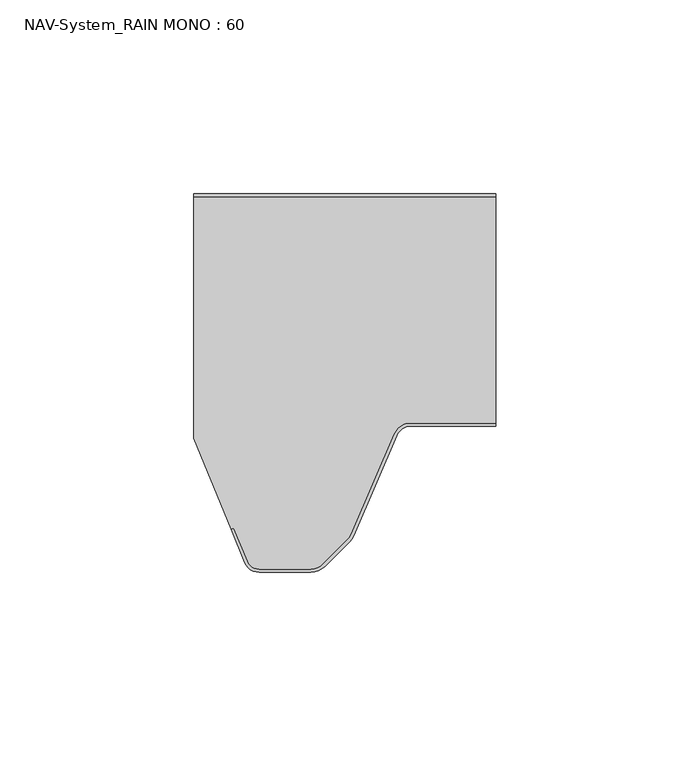
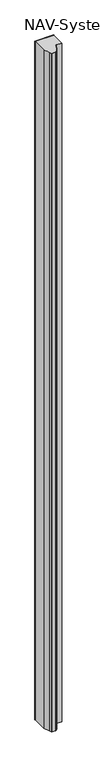
"""IFC4 building model written with IfcOpenShell, lengths in millimetres: plate geometry, NAV-System_RAIN MONO : 60."""

from ifc_helpers import new_model, si_unit, point, frame_2d, origin, origin_with_axes, place, context, project, spatial, polyline, circle_curve, trimmed, segment, composite_curve, outline, extrude, source, transform, mapped, element, save


def nav_system_rain_mono_60_86ab2381(model_context):
    return source(origin(), model_context, "Body", "SweptSolid", [
        extrude(outline(polyline([(-28.0, -0.8), (-28.0, 0.0), (50.0, 0.0), (50.0, -0.8), (-28.0, -0.8)])), origin_with_axes(), (0.0, 0.0, 1.0), 3000.0),
        extrude(outline(composite_curve([segment(trimmed(circle_curve(frame_2d((28.0709249, -64.0)), 4.8), [point((28.0709249, -59.2))], [point((23.6607271, -62.1052295))], True, "CARTESIAN"), True, "CONTINUOUS"), segment(polyline([(23.6607271, -62.1052295), (12.5754349, -87.9069459)]), True, "CONTINUOUS"), segment(trimmed(circle_curve(frame_2d((8.7165118, -86.2490217)), 4.2), [point((12.5754349, -87.9069459))], [point((11.6863603, -89.2188701))], False, "CARTESIAN"), True, "CONTINUOUS"), segment(polyline([(11.6863603, -89.2188701), (5.235382, -95.6698485)]), True, "CONTINUOUS"), segment(trimmed(circle_curve(frame_2d((2.2655335, -92.7)), 4.2), [point((5.235382, -95.6698485))], [point((2.2655335, -96.9))], False, "CARTESIAN"), True, "CONTINUOUS"), segment(polyline([(2.2655335, -96.9), (-11.1405186, -96.9)]), True, "CONTINUOUS"), segment(trimmed(circle_curve(frame_2d((-11.1405186, -93.7)), 3.2), [point((-11.1405186, -96.9))], [point((-14.1022482, -94.9116756))], False, "CARTESIAN"), True, "CONTINUOUS"), segment(polyline([(-14.1022482, -94.9116756), (-17.6292254, -86.2905951), (-18.3696578, -86.593514), (-28.0, -63.053822), (-28.0, -0.8), (50.0, -0.8), (50.0, -59.2), (28.0709249, -59.2)]), True, "CONTINUOUS")], self_intersect=False)), origin_with_axes(), (0.0, 0.0, 1.0), 3000.0),
        extrude(outline(composite_curve([segment(polyline([(-14.8430228, -95.2145945), (-18.37, -86.593514), (-17.6295676, -86.2905951), (-14.1025904, -94.9116756)]), True, "CONTINUOUS"), segment(trimmed(circle_curve(frame_2d((-11.1408608, -93.7)), 3.2), [point((-14.1025904, -94.9116756))], [point((-11.1408608, -96.9))], True, "CARTESIAN"), True, "CONTINUOUS"), segment(polyline([(-11.1408608, -96.9), (2.2651913, -96.9)]), True, "CONTINUOUS"), segment(trimmed(circle_curve(frame_2d((2.2651913, -92.7)), 4.2), [point((2.2651913, -96.9))], [point((5.2350397, -95.6698485))], True, "CARTESIAN"), True, "CONTINUOUS"), segment(polyline([(5.2350397, -95.6698485), (11.6860181, -89.2188701)]), True, "CONTINUOUS"), segment(trimmed(circle_curve(frame_2d((8.7161696, -86.2490217)), 4.2), [point((11.6860181, -89.2188701))], [point((12.5750927, -87.9069459))], True, "CARTESIAN"), True, "CONTINUOUS"), segment(polyline([(12.5750927, -87.9069459), (23.6603849, -62.1052295)]), True, "CONTINUOUS"), segment(trimmed(circle_curve(frame_2d((28.0705827, -64.0)), 4.8), [point((23.6603849, -62.1052295))], [point((28.0705827, -59.2))], False, "CARTESIAN"), True, "CONTINUOUS"), segment(polyline([(28.0705827, -59.2), (50.0, -59.2), (50.0, -60.0), (28.0705827, -60.0)]), True, "CONTINUOUS"), segment(trimmed(circle_curve(frame_2d((28.0705827, -64.0)), 4.0), [point((28.0705827, -60.0))], [point((24.3954178, -62.4210246))], True, "CARTESIAN"), True, "CONTINUOUS"), segment(polyline([(24.3954178, -62.4210246), (13.3101256, -88.2227409)]), True, "CONTINUOUS"), segment(trimmed(circle_curve(frame_2d((8.7161696, -86.2490217)), 5.0), [point((13.3101256, -88.2227409))], [point((12.2517035, -89.7845556))], False, "CARTESIAN"), True, "CONTINUOUS"), segment(polyline([(12.2517035, -89.7845556), (5.8007252, -96.2355339)]), True, "CONTINUOUS"), segment(trimmed(circle_curve(frame_2d((2.2651913, -92.7)), 5.0), [point((5.8007252, -96.2355339))], [point((2.2651913, -97.7))], False, "CARTESIAN"), True, "CONTINUOUS"), segment(polyline([(2.2651913, -97.7), (-11.1408608, -97.7)]), True, "CONTINUOUS"), segment(trimmed(circle_curve(frame_2d((-11.1408608, -93.7)), 4.0), [point((-11.1408608, -97.7))], [point((-14.8430228, -95.2145945))], False, "CARTESIAN"), True, "CONTINUOUS")], self_intersect=False)), origin_with_axes(), (0.0, 0.0, 1.0), 3000.0),
    ])


if __name__ == "__main__":
    model = new_model("IFC4")
    model_context = context("Model", 3, world=origin())
    ifc_project = project(units=[si_unit("LENGTHUNIT", "METRE", prefix="MILLI")], contexts=[model_context])
    site = spatial("IfcSite", under=ifc_project)
    building = spatial("IfcBuilding", under=site)
    placement = place(None, origin())
    nav_system_rain_mono_60_shape = nav_system_rain_mono_60_86ab2381(model_context)
    element("IfcPlate", 1, ObjectType="NAV-System_RAIN MONO : 60", at=placement, inside=building, context=model_context, shape_type="MappedRepresentation", body=[
        mapped(nav_system_rain_mono_60_shape, transform((0.0, 0.0, 0.0), x_axis=(1.0, 0.0, 0.0), y_axis=(0.0, 1.0, 0.0), z_axis=(0.0, 0.0, 1.0))),
    ])
    save(model, "model.ifc")
